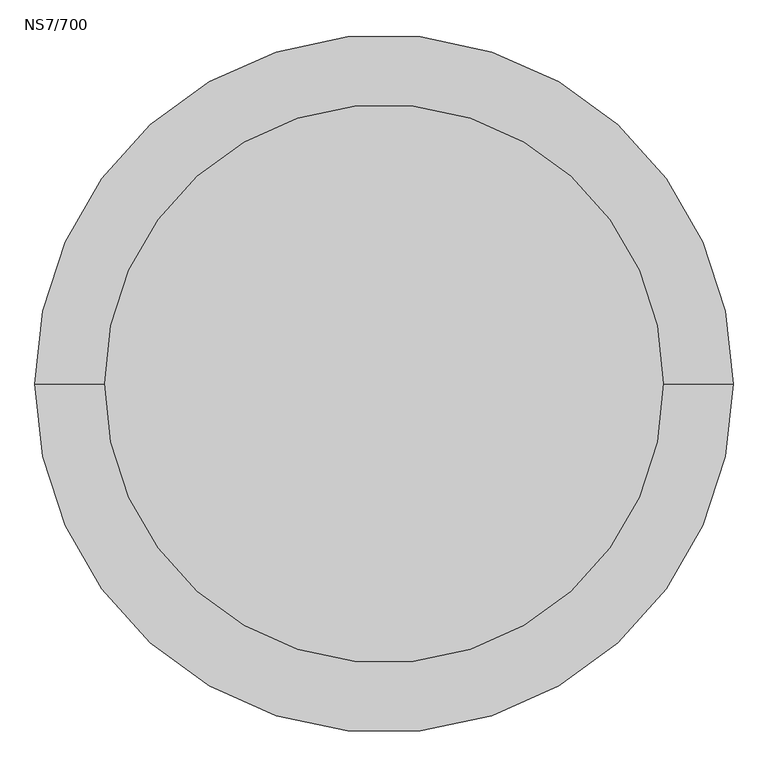
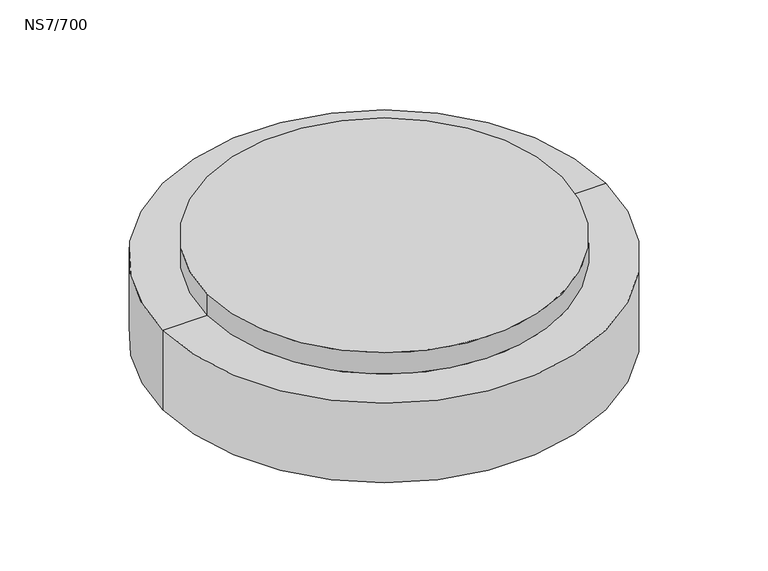
"""IFC4 building model written with IfcOpenShell, lengths in millimetres: proxy geometry, NS7/700."""

from ifc_helpers import new_model, si_unit, frame, origin, place, context, project, spatial, polyline, circle_curve, source, transform, mapped, element, save
from ifc_brep_helpers import plane_surface, cylinder_surface, revolved_surface, advanced_brep


def ns7_700_53cc9c03(model_context):
    return source(origin(), model_context, "Body", "AdvancedBrep", [
        advanced_brep(
        [(737.5, 0.0, -980.1822102), (-737.5, 0.0, -980.1822102), (-590.0, 0.0, -980.1822102), (590.0, 0.0, -980.1822102), (737.5, 0.0, -1260.1822102), (-737.5, 0.0, -1260.1822102), (677.5, 0.0, -1260.1822102), (-677.5, 0.0, -1260.1822102), (677.5, 0.0, -1180.1822102), (-677.5, 0.0, -1180.1822102), (0.0, 0.0, -1180.1822102), (-590.0, 0.0, -905.0), (590.0, 0.0, -905.0)],
        [
            (0, 1, circle_curve(frame((0.0, 0.0, -980.1822102), z_axis=(0.0, 0.0, 1.0), x_axis=(-1.0, 0.0, 0.0)), 737.5)),
            (1, 2),
            (2, 3, circle_curve(frame((0.0, 0.0, -980.1822102), z_axis=(0.0, 0.0, -1.0), x_axis=(1.0, 0.0, 0.0)), 590.0)),
            (3, 0),
            (1, 0, circle_curve(frame((0.0, 0.0, -980.1822102), z_axis=(0.0, 0.0, 1.0), x_axis=(-1.0, 0.0, 0.0)), 737.5)),
            (3, 2, circle_curve(frame((0.0, 0.0, -980.1822102), z_axis=(0.0, 0.0, -1.0), x_axis=(1.0, 0.0, 0.0)), 590.0)),
            (0, 4),
            (4, 5, circle_curve(frame((0.0, 0.0, -1260.1822102), z_axis=(0.0, 0.0, 1.0), x_axis=(-1.0, 0.0, 0.0)), 737.5)),
            (5, 1),
            (5, 4, circle_curve(frame((0.0, 0.0, -1260.1822102), z_axis=(0.0, 0.0, 1.0), x_axis=(-1.0, 0.0, 0.0)), 737.5)),
            (4, 6),
            (6, 7, circle_curve(frame((0.0, 0.0, -1260.1822102), z_axis=(0.0, 0.0, 1.0), x_axis=(-1.0, 0.0, 0.0)), 677.5)),
            (7, 5),
            (7, 6, circle_curve(frame((0.0, 0.0, -1260.1822102), z_axis=(0.0, 0.0, 1.0), x_axis=(-1.0, 0.0, 0.0)), 677.5)),
            (6, 8),
            (8, 9, circle_curve(frame((0.0, 0.0, -1180.1822102), z_axis=(0.0, 0.0, 1.0), x_axis=(-1.0, 0.0, 0.0)), 677.5)),
            (9, 7),
            (9, 8, circle_curve(frame((0.0, 0.0, -1180.1822102), z_axis=(0.0, 0.0, 1.0), x_axis=(-1.0, 0.0, 0.0)), 677.5)),
            (8, 10),
            (10, 9),
            (11, 12, circle_curve(frame((0.0, 0.0, -905.0), z_axis=(0.0, 0.0, 1.0), x_axis=(1.0, 0.0, 0.0)), 590.0)),
            (12, 11, circle_curve(frame((0.0, 0.0, -905.0), z_axis=(0.0, 0.0, 1.0), x_axis=(1.0, 0.0, 0.0)), 590.0)),
            (11, 2),
            (3, 12),
        ],
        [
            plane_surface(frame((0.0, 0.0, -980.1822102), z_axis=(0.0, 0.0, 1.0), x_axis=(-1.0, 0.0, 0.0))),
            cylinder_surface(frame((0.0, 0.0, -980.1822102), z_axis=(0.0, 0.0, -1.0), x_axis=(-1.0, 0.0, 0.0)), 737.5),
            plane_surface(frame((0.0, 0.0, -1260.1822102), z_axis=(0.0, 0.0, -1.0), x_axis=(-1.0, 0.0, 0.0))),
            revolved_surface(polyline([(-677.5, 0.0, -1260.1822102), (-677.5, 0.0, -1180.1822102)]), (0.0, 0.0, -980.1822102), (0.0, 0.0, -1.0)),
            plane_surface(frame((0.0, 0.0, -1180.1822102), z_axis=(0.0, 0.0, -1.0), x_axis=(-1.0, 0.0, 0.0))),
            plane_surface(frame((590.0, 0.0, -905.0), z_axis=(0.0, 0.0, 1.0), x_axis=(0.0, 1.0, 0.0))),
            cylinder_surface(frame((0.0, 0.0, -980.1822102), z_axis=(0.0, 0.0, 1.0), x_axis=(1.0, 0.0, 0.0)), 590.0),
        ],
        [
            (0, [[1, 2, 3, 4]]),
            (0, [[5, -4, 6, -2]]),
            (1, [[-1, 7, 8, 9]]),
            (1, [[-5, -9, 10, -7]]),
            (2, [[-8, 11, 12, 13]]),
            (2, [[-10, -13, 14, -11]]),
            (3, [[-12, 15, 16, 17]]),
            (3, [[-14, -17, 18, -15]]),
            (4, [[-16, 19, 20]]),
            (4, [[-18, -20, -19]]),
            (5, [[21, 22]]),
            (6, [[-21, 23, -6, 24]]),
            (6, [[-22, -24, -3, -23]]),
        ],
    ),
    ])


if __name__ == "__main__":
    model = new_model("IFC4")
    model_context = context("Model", 3, world=origin())
    ifc_project = project(units=[si_unit("LENGTHUNIT", "METRE", prefix="MILLI")], contexts=[model_context])
    site = spatial("IfcSite", under=ifc_project)
    building = spatial("IfcBuilding", under=site)
    placement = place(None, origin())
    ns7_700_shape = ns7_700_53cc9c03(model_context)
    element("IfcBuildingElementProxy", 1, Name="NS7/700", ObjectType="NS7/700", at=placement, inside=building, context=model_context, shape_type="MappedRepresentation", body=[
        mapped(ns7_700_shape, transform((0.0, 0.0, 0.0), x_axis=(1.0, 0.0, 0.0), y_axis=(0.0, 1.0, 0.0), z_axis=(0.0, 0.0, 1.0))),
    ])
    save(model, "model.ifc")
